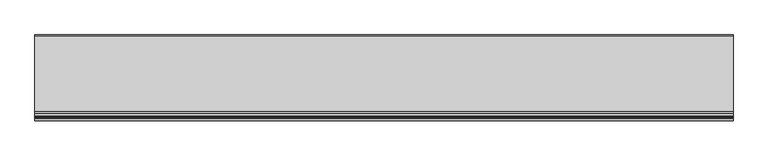
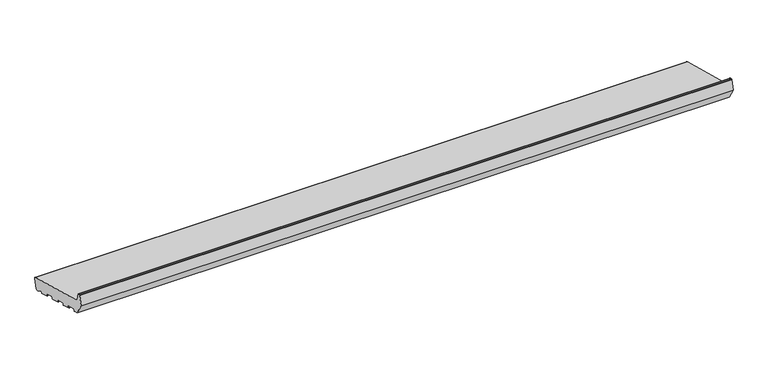
"""IFC4 building model written with IfcOpenShell, lengths in millimetres: proxy geometry."""

from ifc_helpers import new_model, si_unit, point, frame, frame_2d, origin, place, context, project, spatial, polyline, circle_curve, trimmed, segment, composite_curve, outline, extrude, source, transform, mapped, element, save


def generic_models_976bc97a(model_context):
    return source(origin(), model_context, "Body", "SweptSolid", [
        extrude(outline(composite_curve([segment(polyline([(27.5646181, 4.649359), (24.8478405, 5.3773174), (10.6796108, 13.9647636)]), True, "CONTINUOUS"), segment(trimmed(circle_curve(frame_2d((10.1612808, 13.1095829)), 1.0), [point((10.6796108, 13.9647636))], [point((9.195355, 13.368402))], True, "CARTESIAN"), True, "CONTINUOUS"), segment(polyline([(9.195355, 13.368402), (8.2461016, 9.8257399)]), True, "CONTINUOUS"), segment(trimmed(circle_curve(frame_2d((7.2801757, 10.084559)), 1.0), [point((8.2461016, 9.8257399))], [point((7.0213567, 9.1186331))], False, "CARTESIAN"), True, "CONTINUOUS"), segment(polyline([(7.0213567, 9.1186331), (-15.1949373, 15.0714712)]), True, "CONTINUOUS"), segment(trimmed(circle_curve(frame_2d((-14.9361183, 16.037397)), 1.0), [point((-15.1949373, 15.0714712))], [point((-15.9020441, 16.2962161))], False, "CARTESIAN"), True, "CONTINUOUS"), segment(polyline([(-15.9020441, 16.2962161), (-14.8667679, 20.1599194)]), True, "CONTINUOUS"), segment(trimmed(circle_curve(frame_2d((-15.8326937, 20.4187384)), 1.0), [point((-14.8667679, 20.1599194))], [point((-15.5738747, 21.3846642))], True, "CARTESIAN"), True, "CONTINUOUS"), segment(polyline([(-15.5738747, 21.3846642), (-38.7560945, 27.5963213)]), True, "CONTINUOUS"), segment(trimmed(circle_curve(frame_2d((-39.0149136, 26.6303955)), 1.0), [point((-38.7560945, 27.5963213))], [point((-39.9808394, 26.8892145))], True, "CARTESIAN"), True, "CONTINUOUS"), segment(polyline([(-39.9808394, 26.8892145), (-41.0161156, 23.0255112)]), True, "CONTINUOUS"), segment(trimmed(circle_curve(frame_2d((-41.9820414, 23.2843303)), 1.0), [point((-41.0161156, 23.0255112))], [point((-42.2408604, 22.3184044))], False, "CARTESIAN"), True, "CONTINUOUS"), segment(polyline([(-42.2408604, 22.3184044), (-64.4571545, 28.2712425)]), True, "CONTINUOUS"), segment(trimmed(circle_curve(frame_2d((-64.1983354, 29.2371683)), 1.0), [point((-64.4571545, 28.2712425))], [point((-65.1642612, 29.4959874))], False, "CARTESIAN"), True, "CONTINUOUS"), segment(polyline([(-65.1642612, 29.4959874), (-64.1289851, 33.3596907)]), True, "CONTINUOUS"), segment(trimmed(circle_curve(frame_2d((-65.0949109, 33.6185097)), 1.0), [point((-64.1289851, 33.3596907))], [point((-64.8360918, 34.5844355))], True, "CARTESIAN"), True, "CONTINUOUS"), segment(polyline([(-64.8360918, 34.5844355), (-88.0183117, 40.7960926)]), True, "CONTINUOUS"), segment(trimmed(circle_curve(frame_2d((-88.2771307, 39.8301668)), 1.0), [point((-88.0183117, 40.7960926))], [point((-89.2430565, 40.0889858))], True, "CARTESIAN"), True, "CONTINUOUS"), segment(polyline([(-89.2430565, 40.0889858), (-90.2783327, 36.2252825)]), True, "CONTINUOUS"), segment(trimmed(circle_curve(frame_2d((-91.2442585, 36.4841016)), 1.0), [point((-90.2783327, 36.2252825))], [point((-91.5030776, 35.5181757))], False, "CARTESIAN"), True, "CONTINUOUS"), segment(polyline([(-91.5030776, 35.5181757), (-113.7193716, 41.4710138)]), True, "CONTINUOUS"), segment(trimmed(circle_curve(frame_2d((-113.4605525, 42.4369396)), 1.0), [point((-113.7193716, 41.4710138))], [point((-114.4264784, 42.6957587))], False, "CARTESIAN"), True, "CONTINUOUS"), segment(polyline([(-114.4264784, 42.6957587), (-113.3912022, 46.559462)]), True, "CONTINUOUS"), segment(trimmed(circle_curve(frame_2d((-114.357128, 46.818281)), 1.0), [point((-113.3912022, 46.559462))], [point((-114.098309, 47.7842068))], True, "CARTESIAN"), True, "CONTINUOUS"), segment(polyline([(-114.098309, 47.7842068), (-137.2805288, 53.9958639)]), True, "CONTINUOUS"), segment(trimmed(circle_curve(frame_2d((-137.5393479, 53.0299381)), 1.0), [point((-137.2805288, 53.9958639))], [point((-138.5052737, 53.2887571))], True, "CARTESIAN"), True, "CONTINUOUS"), segment(polyline([(-138.5052737, 53.2887571), (-139.5405499, 49.4250538)]), True, "CONTINUOUS"), segment(trimmed(circle_curve(frame_2d((-140.5064757, 49.6838729)), 1.0), [point((-139.5405499, 49.4250538))], [point((-140.7652947, 48.717947))], False, "CARTESIAN"), True, "CONTINUOUS"), segment(polyline([(-140.7652947, 48.717947), (-153.3223305, 52.0825946), (-171.0, 82.7012164), (-164.4291321, 107.2240293)]), True, "CONTINUOUS"), segment(trimmed(circle_curve(frame_2d((-162.9802434, 106.8358007)), 1.5), [point((-164.4291321, 107.2240293))], [point((-162.9802434, 108.3358007))], False, "CARTESIAN"), True, "CONTINUOUS"), segment(polyline([(-162.9802434, 108.3358007), (-159.6368689, 108.3358007)]), True, "CONTINUOUS"), segment(trimmed(circle_curve(frame_2d((-159.6368689, 106.8358007)), 1.5), [point((-159.6368689, 108.3358007))], [point((-158.1879801, 107.2240293))], False, "CARTESIAN"), True, "CONTINUOUS"), segment(polyline([(-158.1879801, 107.2240293), (-153.4052841, 89.3747645)]), True, "CONTINUOUS"), segment(trimmed(circle_curve(frame_2d((-147.6097291, 90.9276787)), 6.0), [point((-153.4052841, 89.3747645))], [point((-149.1626434, 85.1321238))], True, "CARTESIAN"), True, "CONTINUOUS"), segment(polyline([(-149.1626434, 85.1321238), (35.8468275, 35.5589855)]), True, "CONTINUOUS"), segment(trimmed(circle_curve(frame_2d((35.0703704, 32.661208)), 3.0), [point((35.8468275, 35.5589855))], [point((37.9681479, 31.8847509))], False, "CARTESIAN"), True, "CONTINUOUS"), segment(polyline([(37.9681479, 31.8847509), (31.2388527, 6.7706794)]), True, "CONTINUOUS"), segment(trimmed(circle_curve(frame_2d((28.3410752, 7.5471365)), 3.0), [point((31.2388527, 6.7706794))], [point((27.5646181, 4.649359))], False, "CARTESIAN"), True, "CONTINUOUS")], self_intersect=False)), frame((0.0, 0.0, 0.0), z_axis=(1.0, 0.0, 0.0), x_axis=(0.0, 1.0, 0.0)), (0.0, 0.0, 1.0), 1700.0),
    ])


if __name__ == "__main__":
    model = new_model("IFC4")
    model_context = context("Model", 3, world=origin())
    ifc_project = project(units=[si_unit("LENGTHUNIT", "METRE", prefix="MILLI")], contexts=[model_context])
    site = spatial("IfcSite", under=ifc_project)
    building = spatial("IfcBuilding", under=site)
    placement = place(None, origin())
    generic_models_shape = generic_models_976bc97a(model_context)
    element("IfcBuildingElementProxy", 1, Name="Generic Models", at=placement, inside=building, context=model_context, shape_type="MappedRepresentation", body=[
        mapped(generic_models_shape, transform((0.0, 0.0, 0.0), x_axis=(1.0, 0.0, 0.0), y_axis=(0.0, 1.0, 0.0), z_axis=(0.0, 0.0, 1.0))),
    ])
    save(model, "model.ifc")
